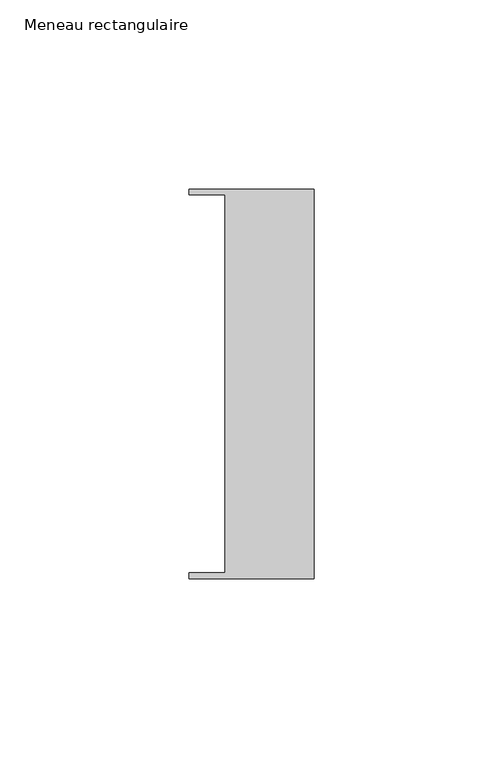
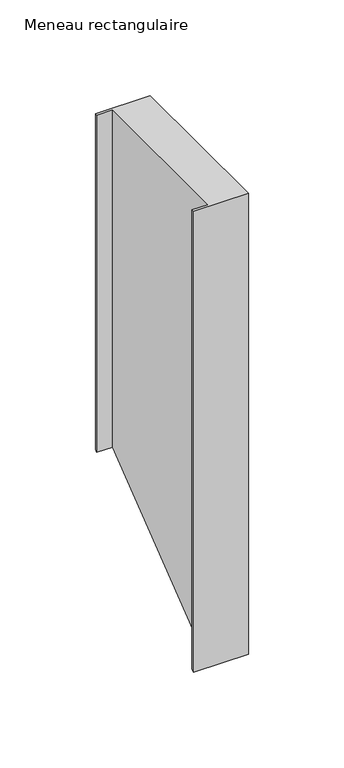
"""IFC4 building model written with IfcOpenShell, lengths in millimetres: member geometry, Meneau rectangulaire."""

from ifc_helpers import new_model, si_unit, origin, place, context, project, spatial, faceted_brep, source, transform, mapped, element, save


def meneau_rectangulaire_6f2e3c6c(model_context):
    return source(origin(), model_context, "Body", "Brep", [
        faceted_brep([(-33.0, 51.4622428, 0.0), (-33.0, 49.9614402, 0.0), (-23.4, 49.9614402, 0.0), (-23.4, -49.9505712, 0.0), (-33.0, -49.9505712, 0.0), (-33.0, -51.4712299, 0.0), (0.0, -51.4712299, 0.0), (0.0, 51.4622428, 0.0), (-23.4, 49.9614402, -215.4474025), (-23.4, -49.9505712, -293.3507218), (-33.0, -51.4712299, -294.5364087), (0.0, -51.4712299, -294.5364087), (0.0, 51.4622428, -214.2771979), (-33.0, 51.4622428, -214.2771979), (-33.0, -49.9505712, -293.3507218), (-33.0, 49.9614402, -215.4474025)], [[[0, 1, 2, 3, 4, 5, 6, 7]], [[3, 2, 8, 9]], [[6, 5, 10, 11]], [[7, 6, 11, 12]], [[0, 7, 12, 13]], [[13, 12, 11, 10, 14, 9, 8, 15]], [[1, 0, 13, 15]], [[2, 1, 15, 8]], [[4, 3, 9, 14]], [[5, 4, 14, 10]]]),
    ])


if __name__ == "__main__":
    model = new_model("IFC4")
    model_context = context("Model", 3, world=origin())
    ifc_project = project(units=[si_unit("LENGTHUNIT", "METRE", prefix="MILLI")], contexts=[model_context])
    site = spatial("IfcSite", under=ifc_project)
    building = spatial("IfcBuilding", under=site)
    placement = place(None, origin())
    meneau_rectangulaire_shape = meneau_rectangulaire_6f2e3c6c(model_context)
    element("IfcMember", 1, ObjectType="Meneau rectangulaire", at=placement, inside=building, context=model_context, shape_type="MappedRepresentation", body=[
        mapped(meneau_rectangulaire_shape, transform((0.0, 0.0, 0.0), x_axis=(1.0, 0.0, 0.0), y_axis=(0.0, 1.0, 0.0), z_axis=(0.0, 0.0, 1.0))),
    ])
    save(model, "model.ifc")
